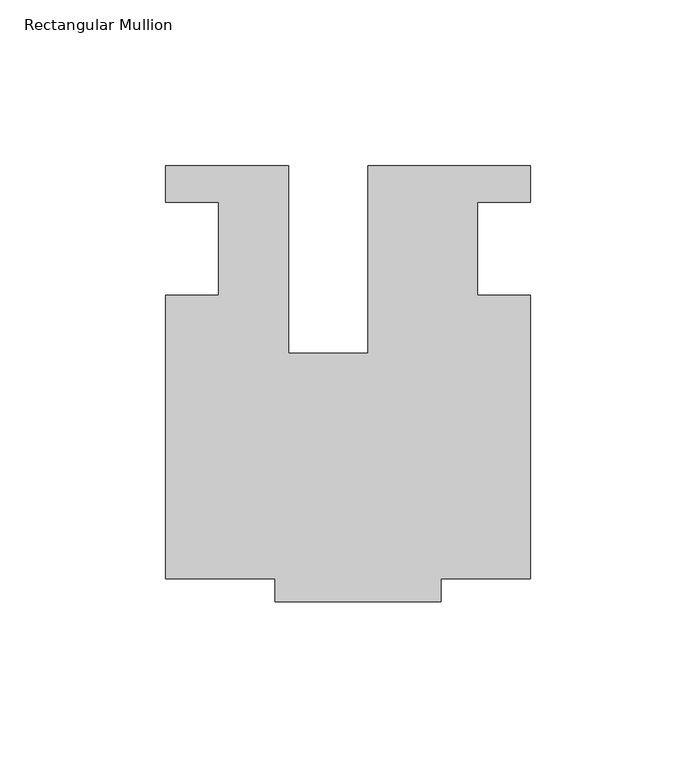
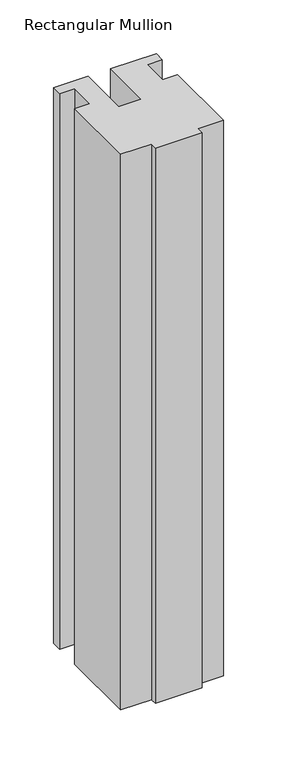
"""IFC4 building model written with IfcOpenShell, lengths in millimetres: member geometry, Rectangular Mullion."""

from ifc_helpers import new_model, si_unit, frame, origin, place, context, project, spatial, polyline, outline, extrude, source, transform, mapped, element, save


def rectangular_mullion_40283787(model_context):
    return source(origin(), model_context, "Body", "SweptSolid", [
        extrude(outline(polyline([(-24.0309529, 25.0), (-24.0309529, -31.6008577), (0.0, -31.6008577), (0.0, 25.0), (49.0, 25.0), (49.0, 14.0), (32.9971154, 14.0), (32.9971154, -14.0), (49.0, -14.0), (49.0, -99.5), (22.0028846, -99.5), (22.0028846, -106.5), (-27.9971154, -106.5), (-27.9971154, -99.4999439), (-60.9971154, -99.4999439), (-60.9971154, -14.0), (-44.9971154, -14.0), (-44.9971154, 14.0), (-61.0409135, 14.0), (-61.0409135, 25.0), (-24.0309529, 25.0)])), frame((0.0, 0.0, -629.9940155), z_axis=(0.0, 0.0, 1.0), x_axis=(1.0, 0.0, 0.0)), (0.0, 0.0, 1.0), 629.9940155),
    ])


if __name__ == "__main__":
    model = new_model("IFC4")
    model_context = context("Model", 3, world=origin())
    ifc_project = project(units=[si_unit("LENGTHUNIT", "METRE", prefix="MILLI")], contexts=[model_context])
    site = spatial("IfcSite", under=ifc_project)
    building = spatial("IfcBuilding", under=site)
    placement = place(None, origin())
    rectangular_mullion_shape = rectangular_mullion_40283787(model_context)
    element("IfcMember", 1, ObjectType="Rectangular Mullion", at=placement, inside=building, context=model_context, shape_type="MappedRepresentation", body=[
        mapped(rectangular_mullion_shape, transform((0.0, 0.0, 0.0), x_axis=(1.0, 0.0, 0.0), y_axis=(0.0, 1.0, 0.0), z_axis=(0.0, 0.0, 1.0))),
    ])
    save(model, "model.ifc")
